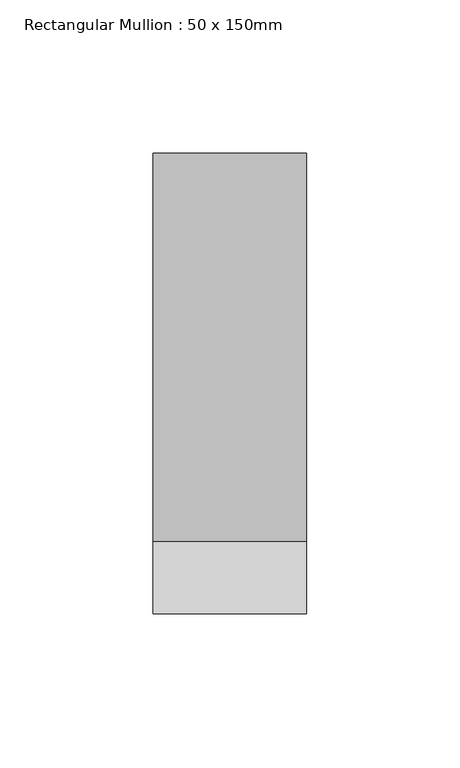
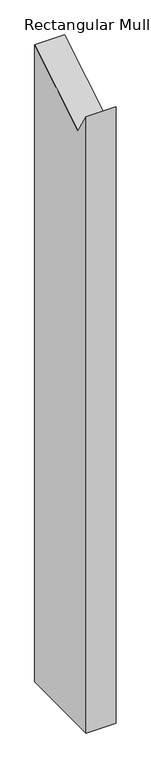
"""IFC4 building model written with IfcOpenShell, lengths in millimetres: member geometry, Rectangular Mullion : 50 x 150mm."""

from ifc_helpers import new_model, si_unit, frame, origin, place, context, project, spatial, polyline, outline, extrude, source, transform, mapped, element, save


def rectangular_mullion_50_x_150mm_369f402d(model_context):
    return source(origin(), model_context, "Body", "SweptSolid", [
        extrude(outline(polyline([(-75.0, 4.1738154), (-51.3716673, -35.0911957), (75.0, 40.9549258), (75.0, -1090.7827182), (-75.0, -1090.7827182), (-75.0, 4.1738154)])), frame((-50.0, 0.0, 0.0), z_axis=(1.0, 0.0, 0.0), x_axis=(0.0, 1.0, 0.0)), (0.0, 0.0, 1.0), 50.0),
    ])


if __name__ == "__main__":
    model = new_model("IFC4")
    model_context = context("Model", 3, world=origin())
    ifc_project = project(units=[si_unit("LENGTHUNIT", "METRE", prefix="MILLI")], contexts=[model_context])
    site = spatial("IfcSite", under=ifc_project)
    building = spatial("IfcBuilding", under=site)
    placement = place(None, origin())
    rectangular_mullion_50_x_150mm_shape = rectangular_mullion_50_x_150mm_369f402d(model_context)
    element("IfcMember", 1, ObjectType="Rectangular Mullion : 50 x 150mm", at=placement, inside=building, context=model_context, shape_type="MappedRepresentation", body=[
        mapped(rectangular_mullion_50_x_150mm_shape, transform((0.0, 0.0, 0.0), x_axis=(1.0, 0.0, 0.0), y_axis=(0.0, 1.0, 0.0), z_axis=(0.0, 0.0, 1.0))),
    ])
    save(model, "model.ifc")
